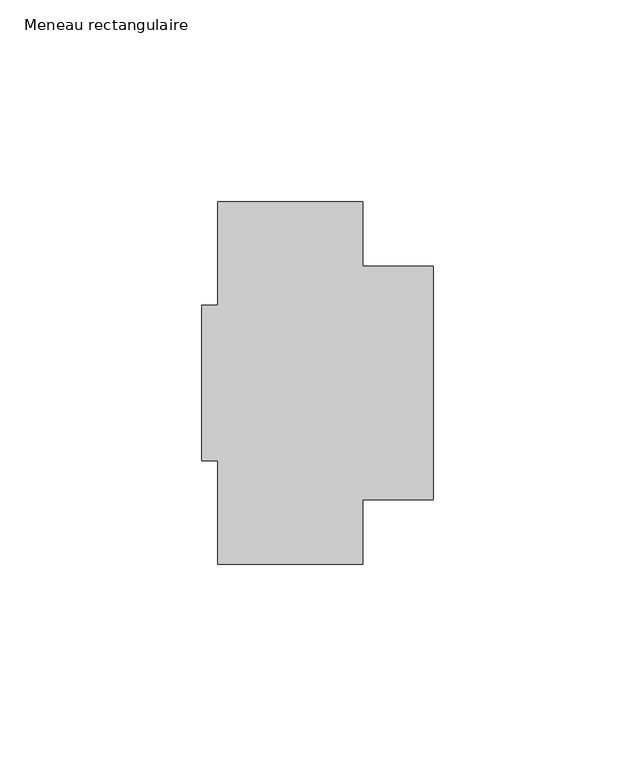
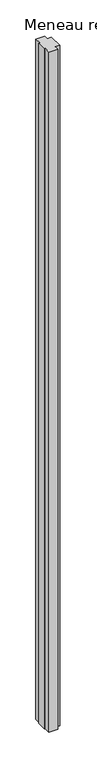
"""IFC4 building model written with IfcOpenShell, lengths in millimetres: member geometry, Meneau rectangulaire."""

from ifc_helpers import new_model, si_unit, frame, origin, place, context, project, spatial, polyline, outline, extrude, source, transform, mapped, element, save


def meneau_rectangulaire_ef4f5a98(model_context):
    return source(origin(), model_context, "Body", "SweptSolid", [
        extrude(outline(polyline([(-53.5, -45.0), (-53.5, -19.25), (-57.5, -19.25), (-57.5, 19.25), (-53.5, 19.25), (-53.5, 45.0), (-17.5, 45.0), (-17.5, 29.0), (0.0, 29.0), (0.0, -29.0), (-17.5, -29.0), (-17.5, -45.0), (-53.5, -45.0)])), frame((0.0, 0.0, -2910.0), z_axis=(0.0, 0.0, 1.0), x_axis=(1.0, 0.0, 0.0)), (0.0, 0.0, 1.0), 2910.0),
    ])


if __name__ == "__main__":
    model = new_model("IFC4")
    model_context = context("Model", 3, world=origin())
    ifc_project = project(units=[si_unit("LENGTHUNIT", "METRE", prefix="MILLI")], contexts=[model_context])
    site = spatial("IfcSite", under=ifc_project)
    building = spatial("IfcBuilding", under=site)
    placement = place(None, origin())
    meneau_rectangulaire_shape = meneau_rectangulaire_ef4f5a98(model_context)
    element("IfcMember", 1, ObjectType="Meneau rectangulaire", at=placement, inside=building, context=model_context, shape_type="MappedRepresentation", body=[
        mapped(meneau_rectangulaire_shape, transform((0.0, 0.0, 0.0), x_axis=(1.0, 0.0, 0.0), y_axis=(0.0, 1.0, 0.0), z_axis=(0.0, 0.0, 1.0))),
    ])
    save(model, "model.ifc")
